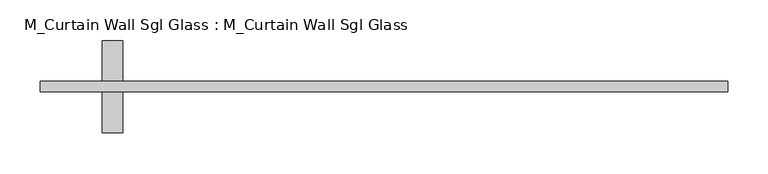
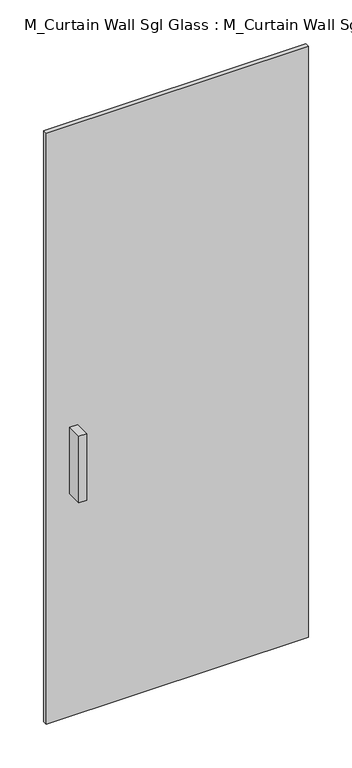
"""IFC4 building model written with IfcOpenShell, lengths in millimetres: plate geometry, M_Curtain Wall Sgl Glass : M_Curtain Wall Sgl Glass."""

import ifcopenshell
import ifcopenshell.guid

model = None  # the IFC model being written
_history = None  # IfcOwnerHistory: only IFC2X3 demands one
_inside = {}  # id of a spatial element -> (the spatial element, [elements in it])
_under = {}  # id of a project, library or spatial element -> (it, [spatial elements below it])
_declared = {}  # id of a project -> (the project, [libraries it declares])
_typed = {}  # id of a type object -> (the type object, [elements of that type])
_made_of = {}  # id of a material, layer set ... -> (it, [elements and type objects made of it])


def new_model(schema):
    """Start an empty IFC model of exactly this schema.

    Asked for "IFC4X3", IfcOpenShell would pick the latest addendum, in which some entities
    have other attributes; the version numbers below select the first issue.
    IFC2X3 requires an IfcOwnerHistory on every rooted entity: one is made here for all.
    """
    global model, _history
    if schema == "IFC4X3":
        model = ifcopenshell.file(schema_version=(4, 3, 0, 0))
    else:
        model = ifcopenshell.file(schema=schema)
    _inside.clear()
    _under.clear()
    _declared.clear()
    _typed.clear()
    _made_of.clear()
    _history = None
    if model.schema == "IFC2X3":
        org = make("IfcOrganization", Name="unknown")
        user = make(
            "IfcPersonAndOrganization",
            ThePerson=make("IfcPerson", FamilyName="unknown"),
            TheOrganization=org,
        )
        app = make(
            "IfcApplication",
            ApplicationDeveloper=org,
            Version="unknown",
            ApplicationFullName="unknown",
            ApplicationIdentifier="unknown",
        )
        _history = make(
            "IfcOwnerHistory",
            OwningUser=user,
            OwningApplication=app,
            ChangeAction="ADDED",
            CreationDate=0,
        )
    return model


def make(cls, **values):
    """One entity of the class cls with the attributes given. An attribute that is None is left unset."""
    return model.create_entity(
        cls, **{name: value for name, value in values.items() if value is not None}
    )


def rooted(cls, **values):
    """An entity with a GlobalId (a new one), such as an element, a storey or a relation."""
    return make(cls, GlobalId=ifcopenshell.guid.new(), OwnerHistory=_history, **values)


def si_unit(unit_type, name, prefix=None):
    """IfcSIUnit, for example si_unit("LENGTHUNIT", "METRE", prefix="MILLI")."""
    return make("IfcSIUnit", UnitType=unit_type, Prefix=prefix, Name=name)


def assignment(units):
    """IfcUnitAssignment: the units of a project."""
    return None if units is None else make("IfcUnitAssignment", Units=units)


def point(xyz):
    """IfcCartesianPoint."""
    return None if xyz is None else make("IfcCartesianPoint", Coordinates=xyz)


def direction(xyz):
    """IfcDirection."""
    return None if xyz is None else make("IfcDirection", DirectionRatios=xyz)


def frame(location, z_axis=None, x_axis=None):
    """IfcAxis2Placement3D, a coordinate frame: its origin and axes. An axis left out is left unset."""
    return make(
        "IfcAxis2Placement3D",
        Location=point(location),
        Axis=direction(z_axis),
        RefDirection=direction(x_axis),
    )


def origin():
    """The frame at (0, 0, 0) with its axes left unset."""
    return frame((0.0, 0.0, 0.0))


def origin_with_axes():
    """The frame at (0, 0, 0) with the z axis (0, 0, 1) and the x axis (1, 0, 0) written out."""
    return frame((0.0, 0.0, 0.0), z_axis=(0.0, 0.0, 1.0), x_axis=(1.0, 0.0, 0.0))


def place(relative_to, where):
    """IfcLocalPlacement: puts the frame where relative to a parent placement (None: the world)."""
    return make(
        "IfcLocalPlacement", PlacementRelTo=relative_to, RelativePlacement=where
    )


def context(
    kind, dimensions, precision=None, world=None, true_north=None, identifier=None
):
    """IfcGeometricRepresentationContext, for example the 3D "Model" context."""
    return make(
        "IfcGeometricRepresentationContext",
        ContextIdentifier=identifier,
        ContextType=kind,
        CoordinateSpaceDimension=dimensions,
        Precision=precision,
        WorldCoordinateSystem=world,
        TrueNorth=true_north,
    )


def project(units=None, contexts=None):
    """IfcProject with its units and contexts."""
    return rooted(
        "IfcProject",
        Name="project",
        RepresentationContexts=contexts,
        UnitsInContext=assignment(units),
    )


def spatial(cls, under=None, at=None, **own):
    """A site, building, storey or space (cls), placed at a placement, below another one or the project."""
    s = rooted(cls, ObjectPlacement=at, **own)
    if under is not None:
        _under.setdefault(under.id(), (under, []))[1].append(s)
    return s


def polyline(points):
    """IfcPolyline through the points."""
    return make("IfcPolyline", Points=[point(p) for p in points])


def outline(outer, holes=None, kind="AREA"):
    """IfcArbitraryClosedProfileDef: a profile drawn as a closed curve; with holes, ...WithVoids."""
    if holes is None:
        return make("IfcArbitraryClosedProfileDef", ProfileType=kind, OuterCurve=outer)
    return make(
        "IfcArbitraryProfileDefWithVoids",
        ProfileType=kind,
        OuterCurve=outer,
        InnerCurves=holes,
    )


def extrude(swept, where, along, depth):
    """IfcExtrudedAreaSolid: the profile swept, set in the frame where, extruded along a direction by depth."""
    return make(
        "IfcExtrudedAreaSolid",
        SweptArea=swept,
        Position=where,
        ExtrudedDirection=direction(along),
        Depth=depth,
    )


def shape(context_of_items, identifier, shape_type, items):
    """IfcShapeRepresentation: the items that make up one representation, for example the "Body"."""
    return make(
        "IfcShapeRepresentation",
        ContextOfItems=context_of_items,
        RepresentationIdentifier=identifier,
        RepresentationType=shape_type,
        Items=items,
    )


def source(mapping_origin, context_of_items, identifier, shape_type, items):
    """IfcRepresentationMap: a shape defined once, which mapped items show again and again."""
    return make(
        "IfcRepresentationMap",
        MappingOrigin=mapping_origin,
        MappedRepresentation=shape(context_of_items, identifier, shape_type, items),
    )


def transform(
    local_origin,
    x_axis=None,
    y_axis=None,
    z_axis=None,
    scale=None,
    scale2=None,
    scale3=None,
    uniform=True,
):
    """IfcCartesianTransformationOperator3D, or its non-uniform kind. x_axis, y_axis, z_axis: its Axis1, 2, 3."""
    if uniform:
        return make(
            "IfcCartesianTransformationOperator3D",
            Axis1=direction(x_axis),
            Axis2=direction(y_axis),
            LocalOrigin=point(local_origin),
            Scale=scale,
            Axis3=direction(z_axis),
        )
    return make(
        "IfcCartesianTransformationOperator3DnonUniform",
        Axis1=direction(x_axis),
        Axis2=direction(y_axis),
        LocalOrigin=point(local_origin),
        Scale=scale,
        Axis3=direction(z_axis),
        Scale2=scale2,
        Scale3=scale3,
    )


def mapped(mapping_source, mapping_target):
    """IfcMappedItem: shows the shape of a source again, moved by a transform."""
    return make(
        "IfcMappedItem", MappingSource=mapping_source, MappingTarget=mapping_target
    )


def made_of(thing, what):
    """Note that an element or type object is made of a material, layer set ...; save() writes the relation."""
    if what is not None:
        _made_of.setdefault(what.id(), (what, []))[1].append(thing)
    return thing


def element(
    cls,
    number,
    at=None,
    inside=None,
    cuts=None,
    type_object=None,
    material=None,
    context=None,
    identifier="Body",
    shape_type=None,
    held_by="IfcProductDefinitionShape",
    body=None,
    shapes=None,
    **own,
):
    """One element of the class cls, such as IfcWall. Its Tag is "e" and its number.

    at: its placement. inside: the storey or other place that contains it. cuts: it is an
    opening in that element (IfcRelVoidsElement). A single representation is given by context,
    identifier, shape_type and body (its items); several are given by shapes. held_by: the class
    of the entity that holds the representations. save() writes the other relations.
    """
    e = rooted(cls, Tag="e%d" % number, ObjectPlacement=at, **own)
    if body is not None:
        shapes = [shape(context, identifier, shape_type, body)]
    if shapes is not None:
        e.Representation = make(held_by, Representations=shapes)
    if inside is not None:
        _inside.setdefault(inside.id(), (inside, []))[1].append(e)
    if cuts is not None:
        rooted(
            "IfcRelVoidsElement", RelatingBuildingElement=cuts, RelatedOpeningElement=e
        )
    if type_object is not None:
        _typed.setdefault(type_object.id(), (type_object, []))[1].append(e)
    return made_of(e, material)


def aggregate(whole, parts):
    """IfcRelAggregates: a whole, such as a stair, and the parts it consists of."""
    return rooted("IfcRelAggregates", RelatingObject=whole, RelatedObjects=parts)


def save(model, path):
    """Write the relations noted so far, then the file.

    IfcRelAggregates (storeys below a building ...), IfcRelContainedInSpatialStructure (elements
    in a storey), IfcRelDefinesByType, IfcRelAssociatesMaterial and IfcRelDeclares: one each for
    every whole, place, type object, material and project.
    """
    for whole, parts in _under.values():
        aggregate(whole, parts)
    for where, things in _inside.values():
        rooted(
            "IfcRelContainedInSpatialStructure",
            RelatedElements=things,
            RelatingStructure=where,
        )
    for kind, things in _typed.values():
        rooted("IfcRelDefinesByType", RelatedObjects=things, RelatingType=kind)
    for what, things in _made_of.values():
        rooted("IfcRelAssociatesMaterial", RelatedObjects=things, RelatingMaterial=what)
    for by, libraries in _declared.values():
        rooted("IfcRelDeclares", RelatingContext=by, RelatedDefinitions=libraries)
    model.write(path)


def m_curtain_wall_sgl_glass_m_curtain_wall_sgl_glass_51862963(model_context):
    return source(origin(), model_context, "Body", "SweptSolid", [
        extrude(outline(polyline([(-323.4, 12.5), (-323.4, -38.3), (-348.8, -38.3), (-348.8, 12.5), (-323.4, 12.5)])), frame((0.0, 0.0, 762.0), z_axis=(0.0, 0.0, 1.0), x_axis=(1.0, 0.0, 0.0)), (0.0, 0.0, 1.0), 228.6),
        extrude(outline(polyline([(-348.8, -101.8), (-348.8, -51.0), (-323.4, -51.0), (-323.4, -101.8), (-348.8, -101.8)])), frame((0.0, 0.0, 762.0), z_axis=(0.0, 0.0, 1.0), x_axis=(1.0, 0.0, 0.0)), (0.0, 0.0, 1.0), 228.6),
        extrude(outline(polyline([(425.0, -51.0), (-425.0, -51.0), (-425.0, -38.3), (425.0, -38.3), (425.0, -51.0)])), origin_with_axes(), (0.0, 0.0, 1.0), 2025.0),
    ])


if __name__ == "__main__":
    model = new_model("IFC4")
    model_context = context("Model", 3, world=origin())
    ifc_project = project(units=[si_unit("LENGTHUNIT", "METRE", prefix="MILLI")], contexts=[model_context])
    site = spatial("IfcSite", under=ifc_project)
    building = spatial("IfcBuilding", under=site)
    placement = place(None, origin())
    m_curtain_wall_sgl_glass_m_curtain_wall_sgl_glass_shape = m_curtain_wall_sgl_glass_m_curtain_wall_sgl_glass_51862963(model_context)
    element("IfcPlate", 1, ObjectType="M_Curtain Wall Sgl Glass : M_Curtain Wall Sgl Glass", at=placement, inside=building, context=model_context, shape_type="MappedRepresentation", body=[
        mapped(m_curtain_wall_sgl_glass_m_curtain_wall_sgl_glass_shape, transform((0.0, 0.0, 0.0), x_axis=(1.0, 0.0, 0.0), y_axis=(0.0, 1.0, 0.0), z_axis=(0.0, 0.0, 1.0))),
    ])
    save(model, "model.ifc")
